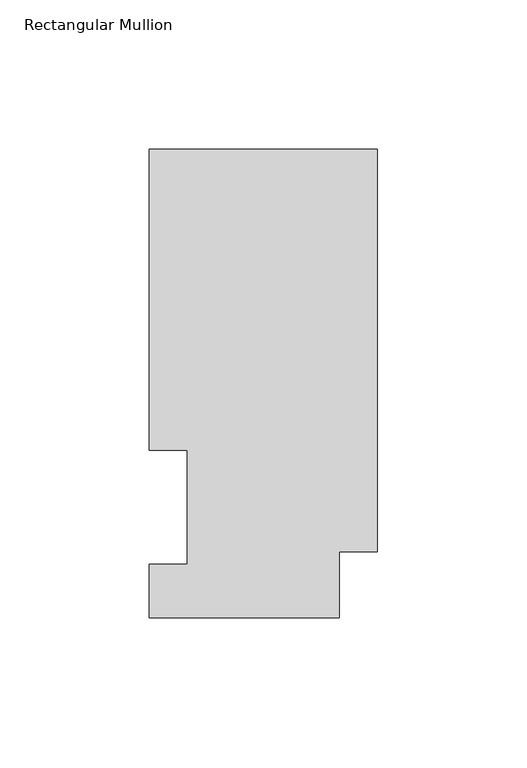
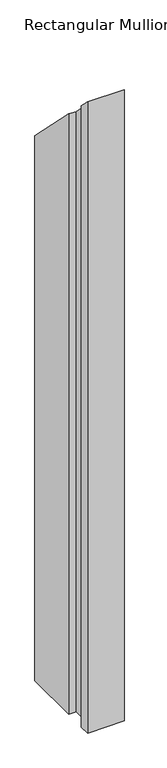
"""IFC4 building model written with IfcOpenShell, lengths in millimetres: member geometry, Rectangular Mullion."""

from ifc_helpers import new_model, si_unit, origin, place, context, project, spatial, faceted_brep, source, transform, mapped, element, save


def rectangular_mullion_72b15725(model_context):
    return source(origin(), model_context, "Body", "Brep", [
        faceted_brep([(0.0, 157.3397822, -1148.765117), (0.0, 22.6195299, -1148.765117), (-12.7, 22.6195299, -1148.765117), (-12.7, 0.5199062, -1148.765117), (-76.2, 0.5199062, -1148.765117), (-76.2, 18.5539062, -1148.765117), (-63.5762, 18.5539062, -1148.765117), (-63.5762, 56.6539063, -1148.765117), (-76.2, 56.6539062, -1148.765117), (-76.2, 157.3397822, -1148.765117), (-76.2, 157.3397822, -157.3397822), (0.0, 157.3397822, -157.3397822), (-76.2, 56.6539062, -56.6539062), (-63.5762, 56.6539063, -56.6539062), (-63.5762, 18.5539062, -18.5539062), (-76.2, 18.5539062, -18.5539062), (-76.2, 0.5199062, -0.5199062), (-12.7, 0.5199062, -0.5199062), (-12.7, 22.6195299, -22.6195299), (0.0, 22.6195299, -22.6195299)], [[[0, 1, 2, 3, 4, 5, 6, 7, 8, 9]], [[10, 11, 0, 9]], [[12, 10, 9, 8]], [[13, 12, 8, 7]], [[14, 13, 7, 6]], [[15, 14, 6, 5]], [[16, 15, 5, 4]], [[17, 16, 4, 3]], [[18, 17, 3, 2]], [[19, 18, 2, 1]], [[11, 19, 1, 0]], [[11, 10, 12, 13, 14, 15, 16, 17, 18, 19]]]),
    ])


if __name__ == "__main__":
    model = new_model("IFC4")
    model_context = context("Model", 3, world=origin())
    ifc_project = project(units=[si_unit("LENGTHUNIT", "METRE", prefix="MILLI")], contexts=[model_context])
    site = spatial("IfcSite", under=ifc_project)
    building = spatial("IfcBuilding", under=site)
    placement = place(None, origin())
    rectangular_mullion_shape = rectangular_mullion_72b15725(model_context)
    element("IfcMember", 1, ObjectType="Rectangular Mullion", at=placement, inside=building, context=model_context, shape_type="MappedRepresentation", body=[
        mapped(rectangular_mullion_shape, transform((0.0, 0.0, 0.0), x_axis=(1.0, 0.0, 0.0), y_axis=(0.0, 1.0, 0.0), z_axis=(0.0, 0.0, 1.0))),
    ])
    save(model, "model.ifc")
